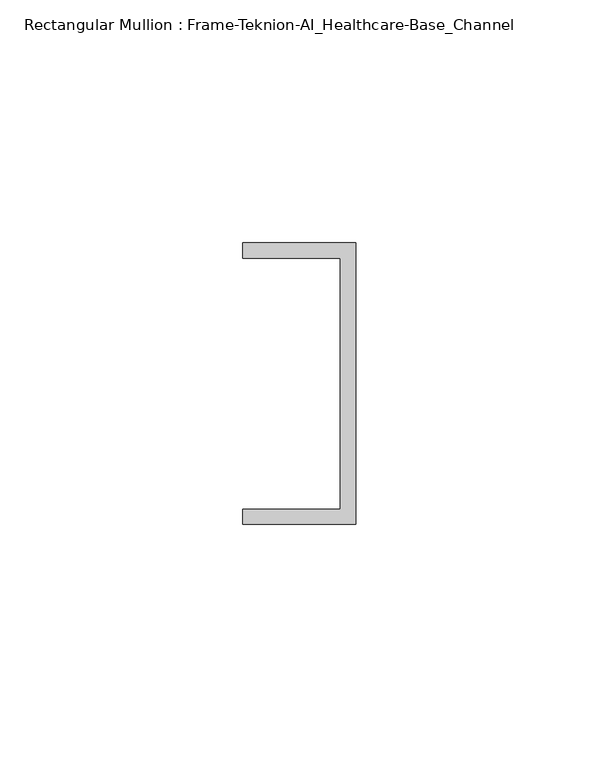
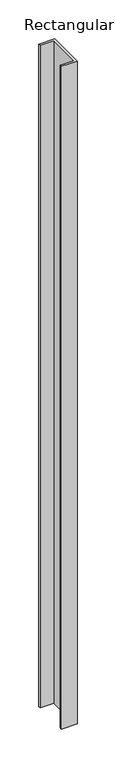
"""IFC4 building model written with IfcOpenShell, lengths in millimetres: member geometry, Rectangular Mullion : Frame-Teknion-AI_Healthcare-Base_Channel."""

from ifc_helpers import new_model, si_unit, frame, origin, place, context, project, spatial, polyline, outline, extrude, source, transform, mapped, element, save


def rectangular_mullion_frame_teknion_ai_healthcare_base_channel_d13d9aa8(model_context):
    return source(origin(), model_context, "Body", "SweptSolid", [
        extrude(outline(polyline([(0.0, -29.0214844), (-23.3164063, -29.0214844), (-23.3164063, -25.8464844), (-3.175, -25.8464844), (-3.175, 25.8464844), (-23.3164063, 25.8464844), (-23.3164063, 29.0214844), (0.0, 29.0214844), (0.0, -29.0214844)])), frame((0.0, 0.0, -1041.4), z_axis=(0.0, 0.0, 1.0), x_axis=(1.0, 0.0, 0.0)), (0.0, 0.0, 1.0), 1041.4),
    ])


if __name__ == "__main__":
    model = new_model("IFC4")
    model_context = context("Model", 3, world=origin())
    ifc_project = project(units=[si_unit("LENGTHUNIT", "METRE", prefix="MILLI")], contexts=[model_context])
    site = spatial("IfcSite", under=ifc_project)
    building = spatial("IfcBuilding", under=site)
    placement = place(None, origin())
    rectangular_mullion_frame_teknion_ai_healthcare_base_channel_shape = rectangular_mullion_frame_teknion_ai_healthcare_base_channel_d13d9aa8(model_context)
    element("IfcMember", 1, ObjectType="Rectangular Mullion : Frame-Teknion-AI_Healthcare-Base_Channel", at=placement, inside=building, context=model_context, shape_type="MappedRepresentation", body=[
        mapped(rectangular_mullion_frame_teknion_ai_healthcare_base_channel_shape, transform((0.0, 0.0, 0.0), x_axis=(1.0, 0.0, 0.0), y_axis=(0.0, 1.0, 0.0), z_axis=(0.0, 0.0, 1.0))),
    ])
    save(model, "model.ifc")
